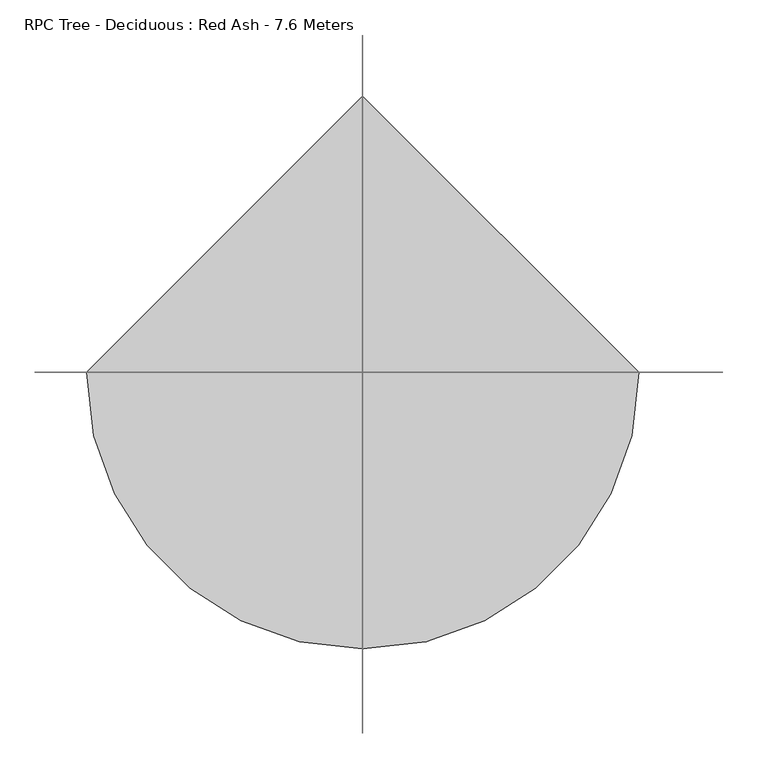
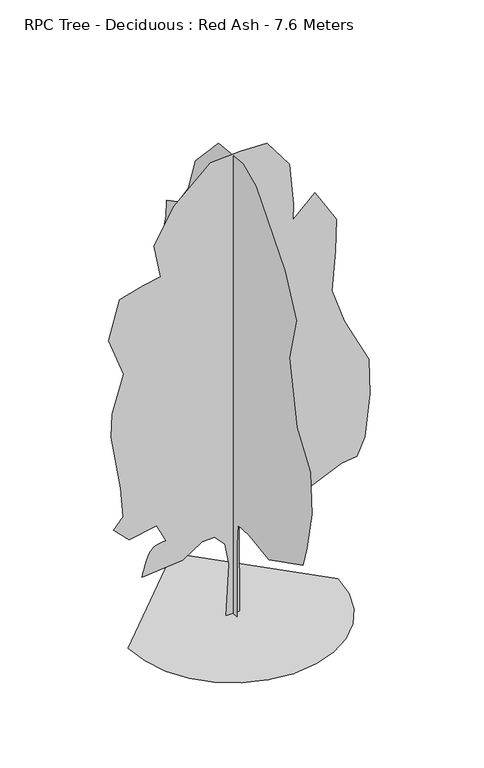
"""IFC4 building model written with IfcOpenShell, lengths in millimetres: geographic element geometry, RPC Tree - Deciduous : Red Ash - 7.6 Meters."""

from ifc_helpers import new_model, si_unit, origin, place, context, project, spatial, triangles, source, transform, mapped, element, save


def rpc_tree_deciduous_red_ash_7_6_meters_40acba24(model_context):
    return source(origin(), model_context, "Body", "Tessellation", [
        triangles([(-1640.6350319, 0.0, 6.17e-05), (-1597.2618073, -375.9250917, 6.17e-05), (-1473.7362076, -721.1521299, 6.17e-05), (-1279.9481815, -1025.7899305, 6.17e-05), (-1025.7900759, -1279.9483269, 6.17e-05), (-721.1519119, -1473.7357716, 6.17e-05), (-375.9249101, -1597.2618073, 6.17e-05), (7.17e-05, -1640.6350319, 6.17e-05), (375.9250917, -1597.2619526, 6.17e-05), (721.1521299, -1473.7360622, 6.17e-05), (1025.7900759, -1279.9481815, 6.17e-05), (1279.9486176, -1025.7900759, 6.17e-05), (1473.7359169, -721.1519119, 6.17e-05), (1597.2618073, -375.9248374, 6.17e-05), (1640.6350319, 0.0001434, 6.17e-05), (-0.0002151, 1640.6350319, 6.17e-05), (-1.07e-05, -102.5763152, 0.0), (2.5e-05, -100.9809819, 1191.4187742), (3.22e-05, -129.5410573, 1533.7667004), (7e-07, -437.6736119, 1554.0757805), (-5.76e-05, -973.8285673, 1474.4268631), (-0.0001401, -1898.6961697, 1943.5624718), (-0.0001409, -2005.9272697, 2292.063438), (-0.0001357, -2139.9660358, 2935.4496025), (-0.0001116, -2099.7546822, 3605.6435783), (-5.8e-05, -1735.814106, 4130.1484818), (-5.5e-06, -1523.3897175, 5147.0898972), (-3.5e-06, -1711.0423622, 5870.899205), (4.78e-05, -1402.7536217, 6514.2855148), (0.0001565, -625.3287638, 7439.1534805), (0.000198, -272.4836404, 7598.1990051), (0.0002655, 393.3664327, 7532.9808929), (0.0003113, 1023.3488731, 6862.7869171), (0.0003141, 1211.0034073, 6299.8236053), (0.0003314, 1492.4837551, 5897.7074524), (0.0003588, 1800.7742397, 5736.8608749), (0.0003522, 1814.1780727, 5468.7830521), (0.0003514, 1894.6015068, 5160.4937302), (0.0003267, 1760.5627407, 4798.5893669), (0.0003288, 1881.1976738, 4450.088546), (0.000327, 2001.8324615, 3967.5488136), (0.0003203, 1975.0247955, 3833.5096115), (0.0002869, 1747.159053, 3511.8164566), (0.0002722, 1732.7516476, 3069.4885139), (0.0002625, 1720.3510963, 2788.0068581), (0.0002535, 1733.7549294, 2439.5063278), (0.0002406, 1747.159053, 1956.9668861), (0.0002166, 1559.5046642, 1809.523851), (0.0001802, 1211.0038433, 1809.523851), (0.0001822, 1371.8504208, 1313.580431), (0.0001711, 1344.9556961, 1032.1683203), (0.0001512, 1100.1359739, 1224.6137684), (9.84e-05, 627.810589, 1103.8028286), (9.77e-05, 550.2637599, 1353.49907), (6.27e-05, 215.346067, 1350.4488201), (5.01e-05, 130.4579254, 1225.1105404), (3.26e-05, 79.3405423, 816.1354311), (1.17e-05, 111.8716144, 1.28e-05), (-110.5798692, 4.8e-06, 4.45e-05), (-66.5363775, -9.62e-05, 831.3140104), (-128.9679092, -0.0001356, 1184.825572), (-290.0246482, -0.0001497, 1361.7341778), (-482.3670685, -0.0001405, 1355.1302204), (-794.1779051, -0.0001027, 1152.7338535), (-1424.1603092, -6.88e-05, 1099.1184488), (-1415.4458702, -7.33e-05, 1133.781086), (-1406.1451298, -7.8e-05, 1169.6158899), (-1395.6722225, -8.3e-05, 1207.7952456), (-1383.4407017, -8.85e-05, 1249.4921917), (-1368.8645565, -9.46e-05, 1295.8774418), (-1351.3574856, -0.0001016, 1348.1257061), (-1330.3333328, -0.0001096, 1407.4074074), (-1303.8382931, -0.0001173, 1462.3908245), (-1271.0123898, -0.0001236, 1502.6024689), (-1232.9109364, -0.0001286, 1530.5039635), (-1190.588883, -0.0001326, 1548.5586754), (-1145.1018339, -0.0001358, 1559.2267742), (-1097.5041578, -0.0001386, 1564.971191), (-1048.8515316, -0.0001411, 1568.2539848), (-1196.294058, -0.0001698, 1863.1393284), (-1625.218531, -0.0001415, 1782.7160397), (-1866.4879612, -0.0001597, 2023.9863419), (-1719.0452168, -0.0001869, 2198.236607), (-1759.2568611, -0.0002427, 2680.7764847), (-1906.6994602, -0.0003433, 3578.8359123), (-1893.4979404, -0.0003882, 3950.7687332), (-1715.4032879, -0.0004676, 4551.3483536), (-1946.9112499, -0.0005333, 5187.3013962), (-1772.6605488, -0.0006144, 5803.88004), (-1410.7561855, -0.000643, 5911.1112854), (-1135.4252443, -0.0006608, 5959.6792511), (-1236.5059204, -0.0007209, 6500.8816818), (-928.2163805, -0.0007999, 7050.4411606), (-351.8493811, -0.0008874, 7573.192392), (117.2860368, -0.0009111, 7600.000058), (532.8066133, -0.0009277, 7586.5956436), (881.3074705, -0.000887, 7117.4603256), (945.3842279, -0.0008079, 6430.5952744), (936.1832634, -0.0007775, 6178.7100677), (1283.4236961, -0.0008311, 6500.8816818), (1618.5208294, -0.0007802, 5951.3222031), (1605.1169964, -0.0007177, 5432.2143539), (1545.3907001, -0.0006383, 4788.0519287), (1739.1557625, -0.0005793, 4222.2222221), (2126.1689129, -0.0005054, 3460.0925789), (2138.5076946, -0.0004374, 2885.2169128), (2060.848772, -0.0003521, 2198.2364616), (1940.213839, -0.0003133, 1916.7548058), (1698.9439728, -0.0002996, 1889.9471397), (1229.8082188, -0.0002535, 1675.4849396), (814.2876514, -0.0002002, 1380.5997414), (256.8007496, -0.0002044, 1620.3048775), (92.8066444, -0.0001762, 1443.8352711), (103.8818677, -4.5e-06, 3.51e-05)], [[15, 16, 1], [14, 15, 1], [14, 1, 2], [13, 14, 2], [13, 2, 3], [13, 3, 4], [12, 13, 4], [11, 12, 4], [11, 4, 5], [11, 5, 6], [11, 6, 7], [11, 7, 8], [11, 8, 9], [11, 9, 10], [50, 51, 52], [57, 58, 17], [57, 17, 18], [56, 57, 18], [56, 18, 19], [55, 56, 19], [49, 50, 52], [52, 53, 54], [49, 52, 54], [35, 36, 37], [46, 47, 48], [46, 48, 49], [21, 22, 23], [20, 21, 23], [20, 23, 24], [20, 24, 25], [20, 25, 26], [19, 20, 26], [19, 26, 27], [45, 46, 49], [31, 32, 33], [30, 31, 33], [29, 30, 33], [29, 33, 34], [28, 29, 34], [27, 28, 34], [19, 27, 34], [19, 34, 35], [19, 35, 37], [19, 37, 38], [19, 38, 39], [19, 39, 40], [19, 40, 41], [19, 41, 42], [19, 42, 43], [19, 43, 44], [19, 44, 45], [19, 45, 49], [19, 49, 54], [55, 19, 54], [64, 65, 66], [64, 66, 67], [64, 67, 68], [99, 100, 101], [64, 68, 69], [64, 69, 70], [64, 70, 71], [114, 59, 60], [113, 114, 60], [113, 60, 61], [113, 61, 62], [64, 71, 72], [64, 72, 73], [64, 73, 74], [64, 74, 75], [64, 75, 76], [64, 76, 77], [64, 77, 78], [64, 78, 79], [63, 64, 79], [81, 82, 83], [80, 81, 83], [99, 101, 102], [107, 108, 109], [110, 111, 112], [88, 89, 90], [87, 88, 90], [87, 90, 91], [80, 83, 84], [95, 96, 97], [95, 97, 98], [94, 95, 98], [93, 94, 98], [92, 93, 98], [91, 92, 98], [91, 98, 99], [87, 91, 99], [87, 99, 102], [87, 102, 103], [87, 103, 104], [86, 87, 104], [85, 86, 104], [84, 85, 104], [80, 84, 104], [80, 104, 105], [80, 105, 106], [80, 106, 107], [80, 107, 109], [80, 109, 110], [80, 110, 112], [79, 80, 112], [63, 79, 112], [62, 63, 112], [113, 62, 112]], closed=False),
    ])


if __name__ == "__main__":
    model = new_model("IFC4")
    model_context = context("Model", 3, world=origin())
    ifc_project = project(units=[si_unit("LENGTHUNIT", "METRE", prefix="MILLI")], contexts=[model_context])
    site = spatial("IfcSite", under=ifc_project)
    building = spatial("IfcBuilding", under=site)
    placement = place(None, origin())
    rpc_tree_deciduous_red_ash_7_6_meters_shape = rpc_tree_deciduous_red_ash_7_6_meters_40acba24(model_context)
    element("IfcGeographicElement", 1, ObjectType="RPC Tree - Deciduous : Red Ash - 7.6 Meters", at=placement, inside=building, context=model_context, shape_type="MappedRepresentation", body=[
        mapped(rpc_tree_deciduous_red_ash_7_6_meters_shape, transform((0.0, 0.0, 0.0), x_axis=(1.0, 0.0, 0.0), y_axis=(0.0, 1.0, 0.0), z_axis=(0.0, 0.0, 1.0))),
    ])
    save(model, "model.ifc")
